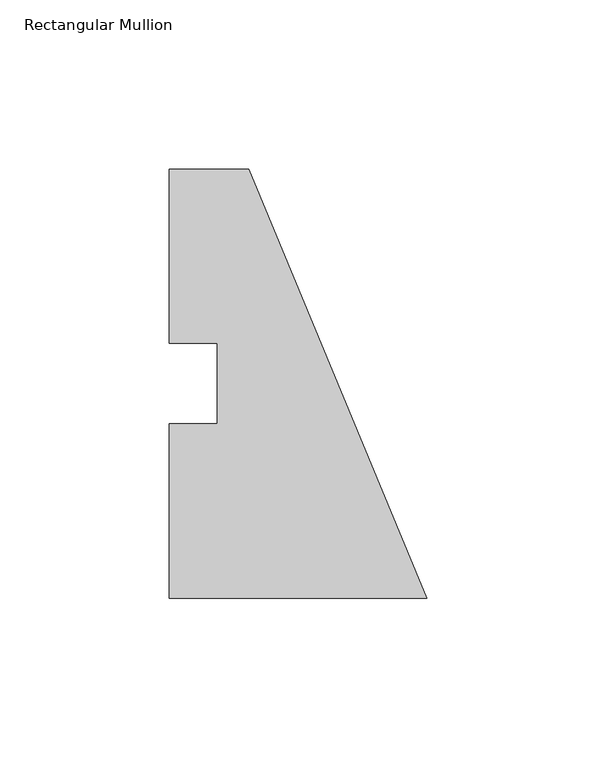
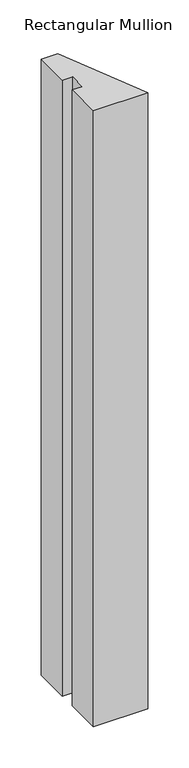
"""IFC4 building model written with IfcOpenShell, lengths in millimetres: member geometry, Rectangular Mullion."""

from ifc_helpers import new_model, si_unit, frame, origin, place, context, project, spatial, polyline, outline, extrude, source, transform, mapped, element, save


def rectangular_mullion_ac159080(model_context):
    return source(origin(), model_context, "Body", "SweptSolid", [
        extrude(outline(polyline([(-76.2, 0.00635), (-76.2, 51.60645), (-61.9125, 51.60645), (-61.9125, 75.40625), (-76.2, 75.40625), (-76.2, 127.00635), (-52.6051224, 127.00635), (0.0, 0.00635), (-76.2, 0.00635)])), frame((0.0, 0.0, -914.4), z_axis=(0.0, 0.0, 1.0), x_axis=(1.0, 0.0, 0.0)), (0.0, 0.0, 1.0), 914.4),
    ])


if __name__ == "__main__":
    model = new_model("IFC4")
    model_context = context("Model", 3, world=origin())
    ifc_project = project(units=[si_unit("LENGTHUNIT", "METRE", prefix="MILLI")], contexts=[model_context])
    site = spatial("IfcSite", under=ifc_project)
    building = spatial("IfcBuilding", under=site)
    placement = place(None, origin())
    rectangular_mullion_shape = rectangular_mullion_ac159080(model_context)
    element("IfcMember", 1, ObjectType="Rectangular Mullion", at=placement, inside=building, context=model_context, shape_type="MappedRepresentation", body=[
        mapped(rectangular_mullion_shape, transform((0.0, 0.0, 0.0), x_axis=(1.0, 0.0, 0.0), y_axis=(0.0, 1.0, 0.0), z_axis=(0.0, 0.0, 1.0))),
    ])
    save(model, "model.ifc")
